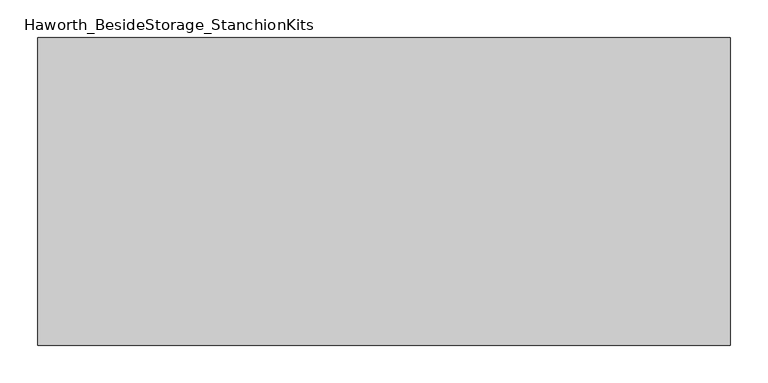
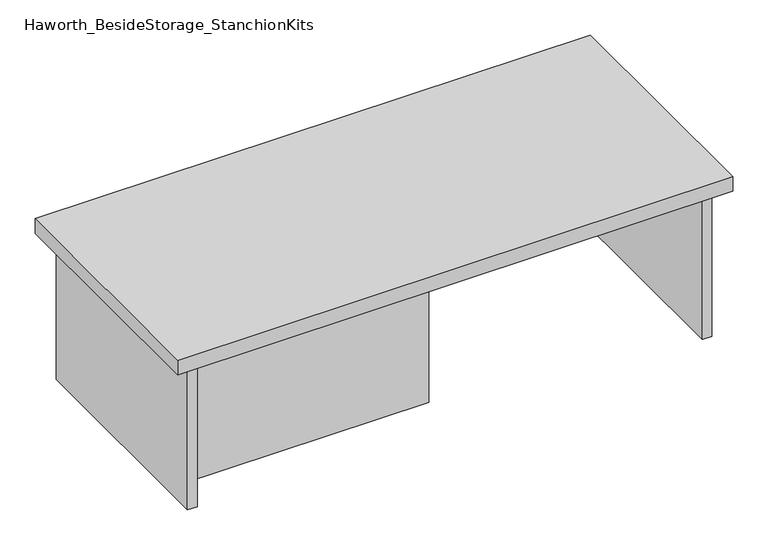
"""IFC4 building model written with IfcOpenShell, lengths in millimetres: furniture geometry, Haworth_BesideStorage_StanchionKits."""

from ifc_helpers import new_model, si_unit, frame, origin, place, context, project, spatial, polyline, outline, extrude, source, transform, mapped, element, save


def haworth_besidestorage_stanchionkits_079d0fd4(model_context):
    return source(origin(), model_context, "Body", "SweptSolid", [
        extrude(outline(polyline([(619.125, 0.0), (619.125, -406.4), (-295.275, -406.4), (-295.275, 0.0), (619.125, 0.0)])), frame((0.0, 0.0, 685.8), z_axis=(0.0, 0.0, 1.0), x_axis=(1.0, 0.0, 0.0)), (0.0, 0.0, 1.0), 25.4),
        extrude(outline(polyline([(161.925, -76.2), (577.85, -76.2), (577.85, -92.075), (161.925, -92.075), (161.925, -76.2)])), frame((0.0, 0.0, 431.8), z_axis=(0.0, 0.0, 1.0), x_axis=(1.0, 0.0, 0.0)), (0.0, 0.0, 1.0), 254.0),
        extrude(outline(polyline([(161.925, -314.325), (161.925, -330.2), (-254.0, -330.2), (-254.0, -314.325), (161.925, -314.325)])), frame((0.0, 0.0, 431.8), z_axis=(0.0, 0.0, 1.0), x_axis=(1.0, 0.0, 0.0)), (0.0, 0.0, 1.0), 254.0),
        extrude(outline(polyline([(593.725, -390.525), (577.85, -390.525), (577.85, -15.875), (593.725, -15.875), (593.725, -390.525)])), frame((0.0, 0.0, 431.8), z_axis=(0.0, 0.0, 1.0), x_axis=(1.0, 0.0, 0.0)), (0.0, 0.0, 1.0), 254.0),
        extrude(outline(polyline([(-254.0, -390.525), (-269.875, -390.525), (-269.875, -15.875), (-254.0, -15.875), (-254.0, -390.525)])), frame((0.0, 0.0, 431.8), z_axis=(0.0, 0.0, 1.0), x_axis=(1.0, 0.0, 0.0)), (0.0, 0.0, 1.0), 254.0),
    ])


if __name__ == "__main__":
    model = new_model("IFC4")
    model_context = context("Model", 3, world=origin())
    ifc_project = project(units=[si_unit("LENGTHUNIT", "METRE", prefix="MILLI")], contexts=[model_context])
    site = spatial("IfcSite", under=ifc_project)
    building = spatial("IfcBuilding", under=site)
    placement = place(None, origin())
    haworth_besidestorage_stanchionkits_shape = haworth_besidestorage_stanchionkits_079d0fd4(model_context)
    element("IfcFurniture", 1, ObjectType="Haworth_BesideStorage_StanchionKits", at=placement, inside=building, context=model_context, shape_type="MappedRepresentation", body=[
        mapped(haworth_besidestorage_stanchionkits_shape, transform((0.0, 0.0, 0.0), x_axis=(1.0, 0.0, 0.0), y_axis=(0.0, 1.0, 0.0), z_axis=(0.0, 0.0, 1.0))),
    ])
    save(model, "model.ifc")
